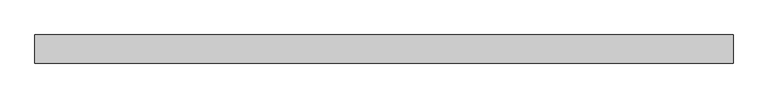
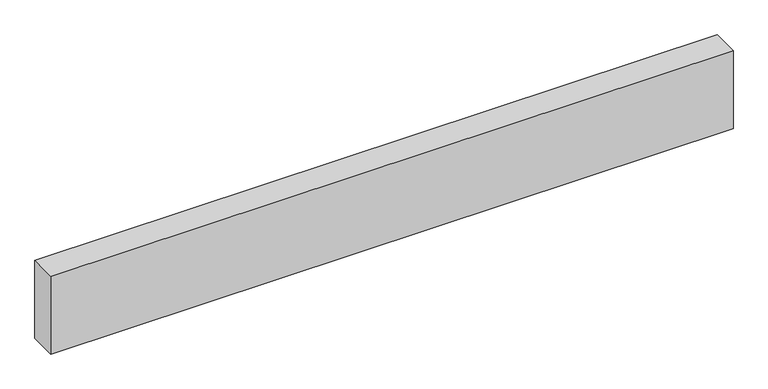
"""IFC4 building model written with IfcOpenShell, lengths in millimetres: proxy geometry."""

from ifc_helpers import new_model, si_unit, origin, origin_with_axes, place, context, project, spatial, polyline, outline, extrude, source, transform, mapped, element, save


def generic_models_2a720b67(model_context):
    return source(origin(), model_context, "Body", "SweptSolid", [
        extrude(outline(polyline([(2485.3407594, 0.0), (2485.3407594, -100.0), (0.0, -100.0), (0.0, 0.0), (2485.3407594, 0.0)])), origin_with_axes(), (0.0, 0.0, 1.0), 300.0),
    ])


if __name__ == "__main__":
    model = new_model("IFC4")
    model_context = context("Model", 3, world=origin())
    ifc_project = project(units=[si_unit("LENGTHUNIT", "METRE", prefix="MILLI")], contexts=[model_context])
    site = spatial("IfcSite", under=ifc_project)
    building = spatial("IfcBuilding", under=site)
    placement = place(None, origin())
    generic_models_shape = generic_models_2a720b67(model_context)
    element("IfcBuildingElementProxy", 1, Name="Generic Models", at=placement, inside=building, context=model_context, shape_type="MappedRepresentation", body=[
        mapped(generic_models_shape, transform((0.0, 0.0, 0.0), x_axis=(1.0, 0.0, 0.0), y_axis=(0.0, 1.0, 0.0), z_axis=(0.0, 0.0, 1.0))),
    ])
    save(model, "model.ifc")
